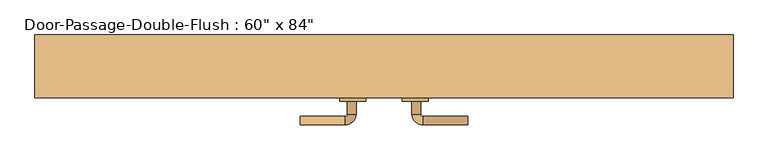
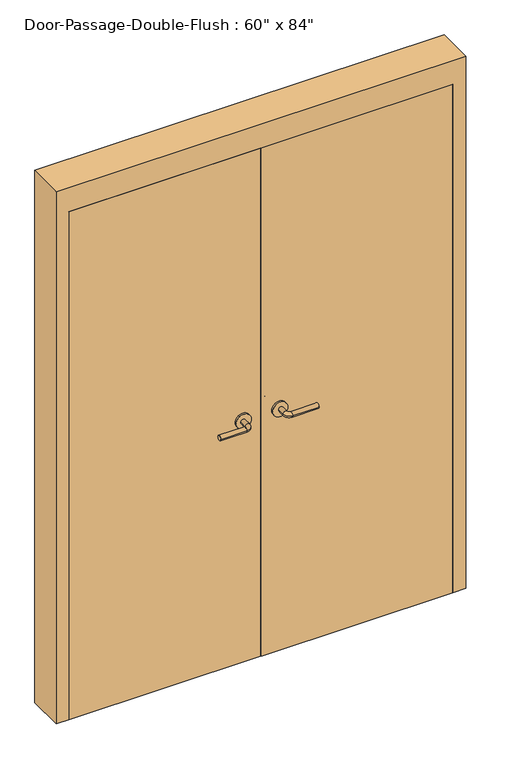
"""IFC4 building model written with IfcOpenShell, lengths in millimetres: door geometry."""

from ifc_helpers import new_model, si_unit, point, frame, frame_2d, origin, origin_with_axes, place, context, project, spatial, polyline, circle_curve, ellipse_curve, trimmed, segment, composite_curve, outline, extrude, faceted_brep, source, transform, mapped, element, save
from ifc_brep_helpers import plane_surface, cylinder_surface, revolved_surface, advanced_brep


def door_f85e749c(model_context):
    return source(origin(), model_context, "Body", "SolidModel", [
        advanced_brep(
        [(-65.009375, -23.75, 1016.0), (-85.009375, -23.75, 1016.0), (-85.009375, 6.25, 1016.0), (-65.009375, 6.25, 1016.0), (-90.009375, 11.25, 1016.0), (-90.009375, 31.25, 1016.0), (-195.009375, 31.25, 1016.0), (-195.009375, 11.25, 1016.0)],
        [
            (0, 1, circle_curve(frame((-75.009375, -23.75, 1016.0), z_axis=(0.0, -1.0, 0.0), x_axis=(-1.0, 0.0, 0.0)), 10.0)),
            (1, 0, circle_curve(frame((-75.009375, -23.75, 1016.0), z_axis=(0.0, -1.0, 0.0), x_axis=(-1.0, 0.0, 0.0)), 10.0)),
            (1, 2),
            (2, 3, circle_curve(frame((-75.009375, 6.25, 1016.0), z_axis=(0.0, -1.0, 0.0), x_axis=(-1.0, 0.0, 0.0)), 10.0)),
            (3, 0),
            (3, 2, circle_curve(frame((-75.009375, 6.25, 1016.0), z_axis=(0.0, -1.0, 0.0), x_axis=(-1.0, 0.0, 0.0)), 10.0)),
            (4, 5, circle_curve(frame((-90.009375, 21.25, 1016.0), z_axis=(1.0, 0.0, 0.0), x_axis=(0.0, -1.0, 0.0)), 10.0)),
            (5, 3, circle_curve(frame((-90.009375, 6.25, 1016.0), z_axis=(0.0, 0.0, -1.0), x_axis=(1.0, 0.0, 0.0)), 25.0)),
            (2, 4, circle_curve(frame((-90.009375, 6.25, 1016.0), z_axis=(0.0, 0.0, 1.0), x_axis=(1.0, 0.0, 0.0)), 5.0)),
            (5, 4, circle_curve(frame((-90.009375, 21.25, 1016.0), z_axis=(1.0, 0.0, 0.0), x_axis=(0.0, -1.0, 0.0)), 10.0)),
            (6, 7, circle_curve(frame((-195.009375, 21.25, 1016.0), z_axis=(-1.0, 0.0, 0.0), x_axis=(0.0, -1.0, 0.0)), 10.0)),
            (7, 6, circle_curve(frame((-195.009375, 21.25, 1016.0), z_axis=(-1.0, 0.0, 0.0), x_axis=(0.0, -1.0, 0.0)), 10.0)),
            (4, 7),
            (6, 5),
        ],
        [
            plane_surface(frame((-75.009375, -23.75, 1016.0), z_axis=(0.0, -1.0, 0.0), x_axis=(0.0, 0.0, 1.0))),
            cylinder_surface(frame((-75.009375, -23.75, 1016.0), z_axis=(0.0, -1.0, 0.0), x_axis=(-1.0, 0.0, 0.0)), 10.0),
            revolved_surface(trimmed(ellipse_curve(frame((-75.009375, 6.25, 1016.0), z_axis=(0.0, 1.0, 0.0), x_axis=(-1.0, 0.0, 0.0)), 10.0, 10.0), [point((-65.009375, 6.25, 1016.0))], [point((-85.009375, 6.25, 1016.0))], True, "CARTESIAN"), (-90.009375, 6.25, 1016.0), (0.0, 0.0, -1.0)),
            revolved_surface(trimmed(ellipse_curve(frame((-75.009375, 6.25, 1016.0), z_axis=(0.0, 1.0, 0.0), x_axis=(-1.0, 0.0, 0.0)), 10.0, 10.0), [point((-85.009375, 6.25, 1016.0))], [point((-65.009375, 6.25, 1016.0))], True, "CARTESIAN"), (-90.009375, 6.25, 1016.0), (0.0, 0.0, -1.0)),
            plane_surface(frame((-195.009375, 21.25, 1016.0), z_axis=(-1.0, 0.0, 0.0), x_axis=(0.0, 0.0, 1.0))),
            cylinder_surface(frame((-90.009375, 21.25, 1016.0), z_axis=(1.0, 0.0, 0.0), x_axis=(0.0, -1.0, 0.0)), 10.0),
        ],
        [
            (0, [[1, 2]]),
            (1, [[3, 4, 5, -2]]),
            (1, [[-5, 6, -3, -1]]),
            (2, [[7, 8, -4, 9]]),
            (3, [[10, -9, -6, -8]]),
            (4, [[11, 12]]),
            (5, [[13, -11, 14, -7]]),
            (5, [[-14, -12, -13, -10]]),
        ],
    ),
        extrude(outline(composite_curve([segment(trimmed(circle_curve(frame_2d((1016.0, -72.509375)), 30.0), [point((1016.0, -42.509375))], [point((1016.0, -102.509375))], False, "CARTESIAN"), True, "CONTINUOUS"), segment(trimmed(circle_curve(frame_2d((1016.0, -72.509375)), 30.0), [point((1016.0, -102.509375))], [point((1016.0, -42.509375))], False, "CARTESIAN"), True, "CONTINUOUS")], self_intersect=False)), frame((0.0, -31.75, 0.0), z_axis=(0.0, 1.0, 0.0), x_axis=(0.0, 0.0, 1.0)), (0.0, 0.0, 1.0), 8.0),
        advanced_brep(
        [(-65.009375, -84.2, 1016.0), (-85.009375, -84.2, 1016.0), (-65.009375, -114.2, 1016.0), (-85.009375, -114.2, 1016.0), (-90.009375, -119.2, 1016.0), (-90.009375, -139.2, 1016.0), (-195.009375, -139.2, 1016.0), (-195.009375, -119.2, 1016.0)],
        [
            (0, 1, circle_curve(frame((-75.009375, -84.2, 1016.0), z_axis=(0.0, 1.0, 0.0), x_axis=(-1.0, 0.0, 0.0)), 10.0)),
            (1, 0, circle_curve(frame((-75.009375, -84.2, 1016.0), z_axis=(0.0, 1.0, 0.0), x_axis=(-1.0, 0.0, 0.0)), 10.0)),
            (0, 2),
            (2, 3, circle_curve(frame((-75.009375, -114.2, 1016.0), z_axis=(0.0, 1.0, 0.0), x_axis=(-1.0, 0.0, 0.0)), 10.0)),
            (3, 1),
            (3, 2, circle_curve(frame((-75.009375, -114.2, 1016.0), z_axis=(0.0, 1.0, 0.0), x_axis=(-1.0, 0.0, 0.0)), 10.0)),
            (4, 3, circle_curve(frame((-90.009375, -114.2, 1016.0), z_axis=(0.0, 0.0, 1.0), x_axis=(1.0, 0.0, 0.0)), 5.0)),
            (2, 5, circle_curve(frame((-90.009375, -114.2, 1016.0), z_axis=(0.0, 0.0, -1.0), x_axis=(1.0, 0.0, 0.0)), 25.0)),
            (5, 4, circle_curve(frame((-90.009375, -129.2, 1016.0), z_axis=(1.0, 0.0, 0.0), x_axis=(0.0, 1.0, 0.0)), 10.0)),
            (4, 5, circle_curve(frame((-90.009375, -129.2, 1016.0), z_axis=(1.0, 0.0, 0.0), x_axis=(0.0, 1.0, 0.0)), 10.0)),
            (6, 7, circle_curve(frame((-195.009375, -129.2, 1016.0), z_axis=(-1.0, 0.0, 0.0), x_axis=(0.0, 1.0, 0.0)), 10.0)),
            (7, 6, circle_curve(frame((-195.009375, -129.2, 1016.0), z_axis=(-1.0, 0.0, 0.0), x_axis=(0.0, 1.0, 0.0)), 10.0)),
            (5, 6),
            (7, 4),
        ],
        [
            plane_surface(frame((-75.009375, -84.2, 1016.0), z_axis=(0.0, 1.0, 0.0), x_axis=(0.0, 0.0, 1.0))),
            cylinder_surface(frame((-75.009375, -84.2, 1016.0), z_axis=(0.0, 1.0, 0.0), x_axis=(-1.0, 0.0, 0.0)), 10.0),
            revolved_surface(trimmed(ellipse_curve(frame((-75.009375, -114.2, 1016.0), z_axis=(0.0, 1.0, 0.0), x_axis=(-1.0, 0.0, 0.0)), 10.0, 10.0), [point((-65.009375, -114.2, 1016.0))], [point((-85.009375, -114.2, 1016.0))], True, "CARTESIAN"), (-90.009375, -114.2, 1016.0), (0.0, 0.0, -1.0)),
            revolved_surface(trimmed(ellipse_curve(frame((-75.009375, -114.2, 1016.0), z_axis=(0.0, 1.0, 0.0), x_axis=(-1.0, 0.0, 0.0)), 10.0, 10.0), [point((-85.009375, -114.2, 1016.0))], [point((-65.009375, -114.2, 1016.0))], True, "CARTESIAN"), (-90.009375, -114.2, 1016.0), (0.0, 0.0, -1.0)),
            plane_surface(frame((-195.009375, -129.2, 1016.0), z_axis=(-1.0, 0.0, 0.0), x_axis=(0.0, 0.0, 1.0))),
            cylinder_surface(frame((-90.009375, -129.2, 1016.0), z_axis=(1.0, 0.0, 0.0), x_axis=(0.0, 1.0, 0.0)), 10.0),
        ],
        [
            (0, [[1, 2]]),
            (1, [[-1, 3, 4, 5]]),
            (1, [[-2, -5, 6, -3]]),
            (2, [[7, -4, 8, 9]]),
            (3, [[-8, -6, -7, 10]]),
            (4, [[11, 12]]),
            (5, [[-9, 13, -12, 14]]),
            (5, [[-10, -14, -11, -13]]),
        ],
    ),
        extrude(outline(composite_curve([segment(trimmed(circle_curve(frame_2d((1016.0, -72.509375)), 30.0), [point((1016.0, -42.509375))], [point((1016.0, -102.509375))], False, "CARTESIAN"), True, "CONTINUOUS"), segment(trimmed(circle_curve(frame_2d((1016.0, -72.509375)), 30.0), [point((1016.0, -102.509375))], [point((1016.0, -42.509375))], False, "CARTESIAN"), True, "CONTINUOUS")], self_intersect=False)), frame((0.0, -84.2, 0.0), z_axis=(0.0, 1.0, 0.0), x_axis=(0.0, 0.0, 1.0)), (0.0, 0.0, 1.0), 8.0),
        advanced_brep(
        [(65.009375, -23.75, 1016.0), (85.009375, -23.75, 1016.0), (65.009375, 6.25, 1016.0), (85.009375, 6.25, 1016.0), (90.009375, 11.25, 1016.0), (90.009375, 31.25, 1016.0), (195.009375, 31.25, 1016.0), (195.009375, 11.25, 1016.0)],
        [
            (0, 1, circle_curve(frame((75.009375, -23.75, 1016.0), z_axis=(0.0, -1.0, 0.0), x_axis=(1.0, 0.0, 0.0)), 10.0)),
            (1, 0, circle_curve(frame((75.009375, -23.75, 1016.0), z_axis=(0.0, -1.0, 0.0), x_axis=(1.0, 0.0, 0.0)), 10.0)),
            (0, 2),
            (2, 3, circle_curve(frame((75.009375, 6.25, 1016.0), z_axis=(0.0, -1.0, 0.0), x_axis=(1.0, 0.0, 0.0)), 10.0)),
            (3, 1),
            (3, 2, circle_curve(frame((75.009375, 6.25, 1016.0), z_axis=(0.0, -1.0, 0.0), x_axis=(1.0, 0.0, 0.0)), 10.0)),
            (4, 3, circle_curve(frame((90.009375, 6.25, 1016.0), z_axis=(0.0, 0.0, 1.0), x_axis=(-1.0, 0.0, 0.0)), 5.0)),
            (2, 5, circle_curve(frame((90.009375, 6.25, 1016.0), z_axis=(0.0, 0.0, -1.0), x_axis=(-1.0, 0.0, 0.0)), 25.0)),
            (5, 4, circle_curve(frame((90.009375, 21.25, 1016.0), z_axis=(-1.0, 0.0, 0.0), x_axis=(0.0, -1.0, 0.0)), 10.0)),
            (4, 5, circle_curve(frame((90.009375, 21.25, 1016.0), z_axis=(-1.0, 0.0, 0.0), x_axis=(0.0, -1.0, 0.0)), 10.0)),
            (6, 7, circle_curve(frame((195.009375, 21.25, 1016.0), z_axis=(1.0, 0.0, 0.0), x_axis=(0.0, -1.0, 0.0)), 10.0)),
            (7, 6, circle_curve(frame((195.009375, 21.25, 1016.0), z_axis=(1.0, 0.0, 0.0), x_axis=(0.0, -1.0, 0.0)), 10.0)),
            (5, 6),
            (7, 4),
        ],
        [
            plane_surface(frame((75.009375, -23.75, 1016.0), z_axis=(0.0, -1.0, 0.0), x_axis=(0.0, 0.0, 1.0))),
            cylinder_surface(frame((75.009375, -23.75, 1016.0), z_axis=(0.0, -1.0, 0.0), x_axis=(1.0, 0.0, 0.0)), 10.0),
            revolved_surface(trimmed(ellipse_curve(frame((75.009375, 6.25, 1016.0), z_axis=(0.0, -1.0, 0.0), x_axis=(1.0, 0.0, 0.0)), 10.0, 10.0), [point((65.009375, 6.25, 1016.0))], [point((85.009375, 6.25, 1016.0))], True, "CARTESIAN"), (90.009375, 6.25, 1016.0), (0.0, 0.0, -1.0)),
            revolved_surface(trimmed(ellipse_curve(frame((75.009375, 6.25, 1016.0), z_axis=(0.0, -1.0, 0.0), x_axis=(1.0, 0.0, 0.0)), 10.0, 10.0), [point((85.009375, 6.25, 1016.0))], [point((65.009375, 6.25, 1016.0))], True, "CARTESIAN"), (90.009375, 6.25, 1016.0), (0.0, 0.0, -1.0)),
            plane_surface(frame((195.009375, 21.25, 1016.0), z_axis=(1.0, 0.0, 0.0), x_axis=(0.0, 0.0, 1.0))),
            cylinder_surface(frame((90.009375, 21.25, 1016.0), z_axis=(-1.0, 0.0, 0.0), x_axis=(0.0, -1.0, 0.0)), 10.0),
        ],
        [
            (0, [[1, 2]]),
            (1, [[-1, 3, 4, 5]]),
            (1, [[-2, -5, 6, -3]]),
            (2, [[7, -4, 8, 9]]),
            (3, [[-8, -6, -7, 10]]),
            (4, [[11, 12]]),
            (5, [[-9, 13, -12, 14]]),
            (5, [[-10, -14, -11, -13]]),
        ],
    ),
        extrude(outline(composite_curve([segment(trimmed(circle_curve(frame_2d((1016.0, 72.509375)), 30.0), [point((1016.0, 42.509375))], [point((1016.0, 102.509375))], False, "CARTESIAN"), True, "CONTINUOUS"), segment(trimmed(circle_curve(frame_2d((1016.0, 72.509375)), 30.0), [point((1016.0, 102.509375))], [point((1016.0, 42.509375))], False, "CARTESIAN"), True, "CONTINUOUS")], self_intersect=False)), frame((0.0, -31.75, 0.0), z_axis=(0.0, 1.0, 0.0), x_axis=(0.0, 0.0, 1.0)), (0.0, 0.0, 1.0), 8.0),
        advanced_brep(
        [(65.009375, -84.2, 1016.0), (85.009375, -84.2, 1016.0), (85.009375, -114.2, 1016.0), (65.009375, -114.2, 1016.0), (90.009375, -119.2, 1016.0), (90.009375, -139.2, 1016.0), (195.009375, -139.2, 1016.0), (195.009375, -119.2, 1016.0)],
        [
            (0, 1, circle_curve(frame((75.009375, -84.2, 1016.0), z_axis=(0.0, 1.0, 0.0), x_axis=(1.0, 0.0, 0.0)), 10.0)),
            (1, 0, circle_curve(frame((75.009375, -84.2, 1016.0), z_axis=(0.0, 1.0, 0.0), x_axis=(1.0, 0.0, 0.0)), 10.0)),
            (1, 2),
            (2, 3, circle_curve(frame((75.009375, -114.2, 1016.0), z_axis=(0.0, 1.0, 0.0), x_axis=(1.0, 0.0, 0.0)), 10.0)),
            (3, 0),
            (3, 2, circle_curve(frame((75.009375, -114.2, 1016.0), z_axis=(0.0, 1.0, 0.0), x_axis=(1.0, 0.0, 0.0)), 10.0)),
            (4, 5, circle_curve(frame((90.009375, -129.2, 1016.0), z_axis=(-1.0, 0.0, 0.0), x_axis=(0.0, 1.0, 0.0)), 10.0)),
            (5, 3, circle_curve(frame((90.009375, -114.2, 1016.0), z_axis=(0.0, 0.0, -1.0), x_axis=(-1.0, 0.0, 0.0)), 25.0)),
            (2, 4, circle_curve(frame((90.009375, -114.2, 1016.0), z_axis=(0.0, 0.0, 1.0), x_axis=(-1.0, 0.0, 0.0)), 5.0)),
            (5, 4, circle_curve(frame((90.009375, -129.2, 1016.0), z_axis=(-1.0, 0.0, 0.0), x_axis=(0.0, 1.0, 0.0)), 10.0)),
            (6, 7, circle_curve(frame((195.009375, -129.2, 1016.0), z_axis=(1.0, 0.0, 0.0), x_axis=(0.0, 1.0, 0.0)), 10.0)),
            (7, 6, circle_curve(frame((195.009375, -129.2, 1016.0), z_axis=(1.0, 0.0, 0.0), x_axis=(0.0, 1.0, 0.0)), 10.0)),
            (4, 7),
            (6, 5),
        ],
        [
            plane_surface(frame((75.009375, -84.2, 1016.0), z_axis=(0.0, 1.0, 0.0), x_axis=(0.0, 0.0, 1.0))),
            cylinder_surface(frame((75.009375, -84.2, 1016.0), z_axis=(0.0, 1.0, 0.0), x_axis=(1.0, 0.0, 0.0)), 10.0),
            revolved_surface(trimmed(ellipse_curve(frame((75.009375, -114.2, 1016.0), z_axis=(0.0, -1.0, 0.0), x_axis=(1.0, 0.0, 0.0)), 10.0, 10.0), [point((65.009375, -114.2, 1016.0))], [point((85.009375, -114.2, 1016.0))], True, "CARTESIAN"), (90.009375, -114.2, 1016.0), (0.0, 0.0, -1.0)),
            revolved_surface(trimmed(ellipse_curve(frame((75.009375, -114.2, 1016.0), z_axis=(0.0, -1.0, 0.0), x_axis=(1.0, 0.0, 0.0)), 10.0, 10.0), [point((85.009375, -114.2, 1016.0))], [point((65.009375, -114.2, 1016.0))], True, "CARTESIAN"), (90.009375, -114.2, 1016.0), (0.0, 0.0, -1.0)),
            plane_surface(frame((195.009375, -129.2, 1016.0), z_axis=(1.0, 0.0, 0.0), x_axis=(0.0, 0.0, 1.0))),
            cylinder_surface(frame((90.009375, -129.2, 1016.0), z_axis=(-1.0, 0.0, 0.0), x_axis=(0.0, 1.0, 0.0)), 10.0),
        ],
        [
            (0, [[1, 2]]),
            (1, [[3, 4, 5, -2]]),
            (1, [[-5, 6, -3, -1]]),
            (2, [[7, 8, -4, 9]]),
            (3, [[10, -9, -6, -8]]),
            (4, [[11, 12]]),
            (5, [[13, -11, 14, -7]]),
            (5, [[-14, -12, -13, -10]]),
        ],
    ),
        extrude(outline(composite_curve([segment(trimmed(circle_curve(frame_2d((1016.0, 72.509375)), 30.0), [point((1016.0, 42.509375))], [point((1016.0, 102.509375))], False, "CARTESIAN"), True, "CONTINUOUS"), segment(trimmed(circle_curve(frame_2d((1016.0, 72.509375)), 30.0), [point((1016.0, 102.509375))], [point((1016.0, 42.509375))], False, "CARTESIAN"), True, "CONTINUOUS")], self_intersect=False)), frame((0.0, -84.2, 0.0), z_axis=(0.0, 1.0, 0.0), x_axis=(0.0, 0.0, 1.0)), (0.0, 0.0, 1.0), 8.0),
        faceted_brep([(762.0, -26.9875, 0.0), (746.125, -26.9875, 0.0), (746.125, 20.6375, 0.0), (762.0, 20.6375, 0.0), (762.0, 69.85, 0.0), (812.8, 69.85, 0.0), (812.8, -76.2, 0.0), (762.0, -76.2, 0.0), (762.0, -76.2, 2133.6), (762.0, -26.9875, 2133.6), (812.8, -76.2, 2235.2), (-812.8, -76.2, 2235.2), (-812.8, -76.2, 0.0), (-762.0, -76.2, 0.0), (-762.0, -76.2, 2133.6), (812.8, 69.85, 2235.2), (762.0, 69.85, 2133.6), (-762.0, 69.85, 2133.6), (-762.0, 69.85, 0.0), (-812.8, 69.85, 0.0), (-812.8, 69.85, 2235.2), (762.0, 20.6375, 2133.6), (746.125, 20.6375, 2117.725), (-746.125, 20.6375, 2117.725), (-746.125, 20.6375, 0.0), (-762.0, 20.6375, 0.0), (-762.0, 20.6375, 2133.6), (746.125, -26.9875, 2117.725), (-762.0, -26.9875, 2133.6), (-762.0, -26.9875, 0.0), (-746.125, -26.9875, 0.0), (-746.125, -26.9875, 2117.725)], [[[0, 1, 2, 3, 4, 5, 6, 7]], [[7, 8, 9, 0]], [[6, 10, 11, 12, 13, 14, 8, 7]], [[5, 15, 10, 6]], [[4, 16, 17, 18, 19, 20, 15, 5]], [[3, 21, 16, 4]], [[2, 22, 23, 24, 25, 26, 21, 3]], [[1, 27, 22, 2]], [[0, 9, 28, 29, 30, 31, 27, 1]], [[8, 14, 28, 9]], [[16, 21, 26, 17]], [[22, 27, 31, 23]], [[12, 19, 18, 25, 24, 30, 29, 13]], [[13, 29, 28, 14]], [[11, 20, 19, 12]], [[17, 26, 25, 18]], [[23, 31, 30, 24]], [[15, 20, 11, 10]]]),
        extrude(outline(polyline([(762.0, -31.75), (762.0, -76.2), (1.5875, -76.2), (1.5875, -31.75), (762.0, -31.75)])), origin_with_axes(), (0.0, 0.0, 1.0), 2133.6),
        extrude(outline(polyline([(-1.5875, -31.75), (-1.5875, -76.2), (-762.0, -76.2), (-762.0, -31.75), (-1.5875, -31.75)])), origin_with_axes(), (0.0, 0.0, 1.0), 2133.6),
    ])


if __name__ == "__main__":
    model = new_model("IFC4")
    model_context = context("Model", 3, world=origin())
    ifc_project = project(units=[si_unit("LENGTHUNIT", "METRE", prefix="MILLI")], contexts=[model_context])
    site = spatial("IfcSite", under=ifc_project)
    building = spatial("IfcBuilding", under=site)
    placement = place(None, origin())
    door_shape = door_f85e749c(model_context)
    element("IfcDoor", 1, ObjectType="Door-Passage-Double-Flush : 60\" x 84\"", at=placement, inside=building, context=model_context, shape_type="MappedRepresentation", body=[
        mapped(door_shape, transform((0.0, 0.0, 0.0), x_axis=(1.0, 0.0, 0.0), y_axis=(0.0, 1.0, 0.0), z_axis=(0.0, 0.0, 1.0))),
    ])
    save(model, "model.ifc")
